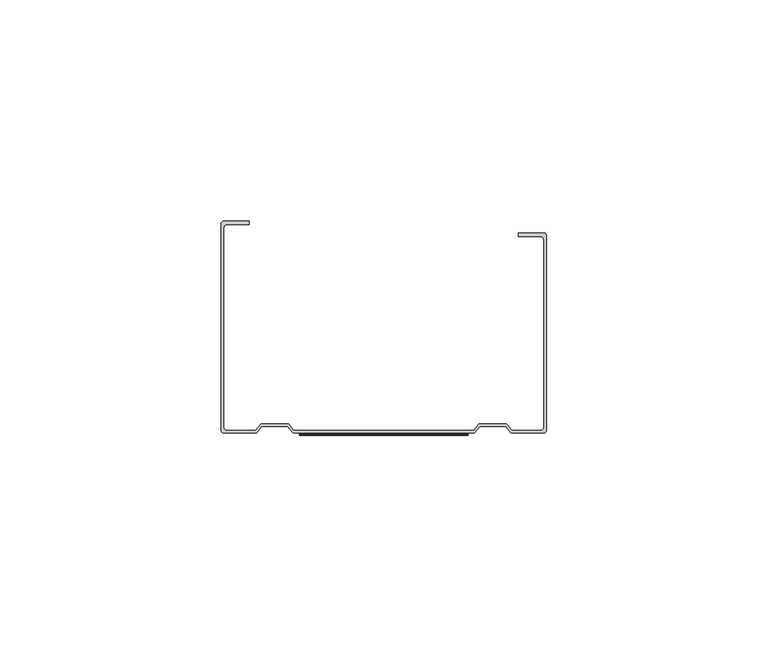
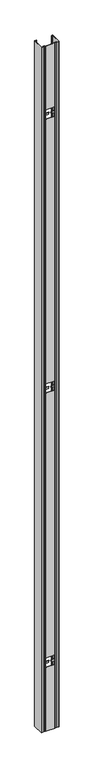
"""IFC4 building model written with IfcOpenShell, lengths in millimetres: proxy geometry."""

from ifc_helpers import new_model, si_unit, frame, origin, place, context, project, spatial, polyline, circle_curve, source, transform, mapped, element, save
from ifc_brep_helpers import plane_surface, cylinder_surface, revolved_surface, advanced_brep


def generic_models_7d81fbbe(model_context):
    return source(origin(), model_context, "Body", "AdvancedBrep", [
        advanced_brep(
        [(35.55, 44.4, 3000.0), (36.15, 43.8, 3000.0), (36.15, 1.2, 3000.0), (35.55, 0.6, 3000.0), (28.95, 0.6, 3000.0), (27.75, 2.1, 3000.0), (21.55, 2.1, 3000.0), (20.35, 0.6, 3000.0), (-20.35, 0.6, 3000.0), (-21.55, 2.1, 3000.0), (-27.75, 2.1, 3000.0), (-28.95, 0.6, 3000.0), (-35.55, 0.6, 3000.0), (-36.15, 1.2, 3000.0), (-36.15, 46.5, 3000.0), (-35.55, 47.1, 3000.0), (-30.45, 47.1, 3000.0), (-30.45, 47.9111732, 3000.0), (-36.15, 47.9111732, 3000.0), (-36.75, 47.3111732, 3000.0), (-36.75, 0.6, 3000.0), (-36.15, 0.0, 3000.0), (-28.7683346, 0.0, 3000.0), (-27.5683346, 1.5, 3000.0), (-21.7316654, 1.5, 3000.0), (-20.5316654, 0.0, 3000.0), (20.5316654, 0.0, 3000.0), (21.7316654, 1.5, 3000.0), (27.5683346, 1.5, 3000.0), (28.7683346, 0.0, 3000.0), (36.15, 0.0, 3000.0), (36.75, 0.6, 3000.0), (36.75, 44.6210939, 3000.0), (36.15, 45.2210939, 3000.0), (30.45, 45.2210939, 3000.0), (30.45, 44.4, 3000.0), (35.55, 44.4, 0.0), (30.45, 44.4, 0.0), (30.45, 45.2210939, 0.0), (36.15, 45.2210939, 0.0), (36.75, 44.6210939, 0.0), (36.75, 0.6, 0.0), (36.15, 0.0, 0.0), (28.7683346, 0.0, 0.0), (27.5683346, 1.5, 0.0), (21.7316654, 1.5, 0.0), (20.5316654, 0.0, 0.0), (-20.5316654, 0.0, 0.0), (-21.7316654, 1.5, 0.0), (-27.5683346, 1.5, 0.0), (-28.7683346, 0.0, 0.0), (-36.15, 0.0, 0.0), (-36.75, 0.6, 0.0), (-36.75, 47.3111732, 0.0), (-36.15, 47.9111732, 0.0), (-30.45, 47.9111732, 0.0), (-30.45, 47.1, 0.0), (-35.55, 47.1, 0.0), (-36.15, 46.5, 0.0), (-36.15, 1.2, 0.0), (-35.55, 0.6, 0.0), (-28.95, 0.6, 0.0), (-27.75, 2.1, 0.0), (-21.55, 2.1, 0.0), (-20.35, 0.6, 0.0), (20.35, 0.6, 0.0), (21.55, 2.1, 0.0), (27.75, 2.1, 0.0), (28.95, 0.6, 0.0), (35.55, 0.6, 0.0), (36.15, 1.2, 0.0), (36.15, 43.8, 0.0), (19.0, 0.6, 280.0), (19.0, 0.6, 295.0), (4.9004963, 0.6, 296.4099504), (4.0, 0.6, 297.4049876), (4.0, 0.6, 302.5950124), (4.9004963, 0.6, 303.5900496), (19.0, 0.6, 305.0), (19.0, 0.6, 320.0), (-19.0, 0.6, 320.0), (-19.0, 0.6, 305.7846387), (-5.9360534, 0.6, 304.4782441), (-5.0355571, 0.6, 303.4832069), (-5.0355571, 0.6, 297.3014319), (-5.9360534, 0.6, 296.3063947), (-19.0, 0.6, 295.0), (-19.0, 0.6, 280.0), (19.0, 0.6, 1480.0), (19.0, 0.6, 1495.0), (4.9004963, 0.6, 1496.4099504), (4.0, 0.6, 1497.4049876), (4.0, 0.6, 1502.5950124), (4.9004963, 0.6, 1503.5900496), (19.0, 0.6, 1505.0), (19.0, 0.6, 1520.0), (-19.0, 0.6, 1520.0), (-19.0, 0.6, 1505.7846387), (-5.9360534, 0.6, 1504.4782441), (-5.0355571, 0.6, 1503.4832069), (-5.0355571, 0.6, 1497.3014319), (-5.9360534, 0.6, 1496.3063947), (-19.0, 0.6, 1495.0), (-19.0, 0.6, 1480.0), (19.0, 0.6, 2680.0), (19.0, 0.6, 2695.0), (4.9004963, 0.6, 2696.4099504), (4.0, 0.6, 2697.4049876), (4.0, 0.6, 2702.5950124), (4.9004963, 0.6, 2703.5900496), (19.0, 0.6, 2705.0), (19.0, 0.6, 2720.0), (-19.0, 0.6, 2720.0), (-19.0, 0.6, 2705.7846387), (-5.9360534, 0.6, 2704.4782441), (-5.0355571, 0.6, 2703.4832069), (-5.0355571, 0.6, 2697.3014319), (-5.9360534, 0.6, 2696.3063947), (-19.0, 0.6, 2695.0), (-19.0, 0.6, 2680.0), (19.0, 0.0, 295.0), (19.0, 0.0, 280.0), (-19.0, 0.0, 280.0), (-19.0, 0.0, 295.0), (-5.9360534, 0.0, 296.3063947), (-5.0355571, 0.0, 297.3014319), (-5.0355571, 0.0, 303.4832069), (-5.9360534, 0.0, 304.4782441), (-19.0, 0.0, 305.7846387), (-19.0, 0.0, 320.0), (19.0, 0.0, 320.0), (19.0, 0.0, 305.0), (4.9004963, 0.0, 303.5900496), (4.0, 0.0, 302.5950124), (4.0, 0.0, 297.4049876), (4.9004963, 0.0, 296.4099504), (19.0, 0.0, 1495.0), (19.0, 0.0, 1480.0), (-19.0, 0.0, 1480.0), (-19.0, 0.0, 1495.0), (-5.9360534, 0.0, 1496.3063947), (-5.0355571, 0.0, 1497.3014319), (-5.0355571, 0.0, 1503.4832069), (-5.9360534, 0.0, 1504.4782441), (-19.0, 0.0, 1505.7846387), (-19.0, 0.0, 1520.0), (19.0, 0.0, 1520.0), (19.0, 0.0, 1505.0), (4.9004963, 0.0, 1503.5900496), (4.0, 0.0, 1502.5950124), (4.0, 0.0, 1497.4049876), (4.9004963, 0.0, 1496.4099504), (19.0, 0.0, 2695.0), (19.0, 0.0, 2680.0), (-19.0, 0.0, 2680.0), (-19.0, 0.0, 2695.0), (-5.9360534, 0.0, 2696.3063947), (-5.0355571, 0.0, 2697.3014319), (-5.0355571, 0.0, 2703.4832069), (-5.9360534, 0.0, 2704.4782441), (-19.0, 0.0, 2705.7846387), (-19.0, 0.0, 2720.0), (19.0, 0.0, 2720.0), (19.0, 0.0, 2705.0), (4.9004963, 0.0, 2703.5900496), (4.0, 0.0, 2702.5950124), (4.0, 0.0, 2697.4049876), (4.9004963, 0.0, 2696.4099504)],
        [
            (0, 1, circle_curve(frame((35.55, 43.8, 3000.0), z_axis=(0.0, 0.0, -1.0), x_axis=(1.0, 0.0, 0.0)), 0.6)),
            (1, 2),
            (2, 3, circle_curve(frame((35.55, 1.2, 3000.0), z_axis=(0.0, 0.0, -1.0), x_axis=(1.0, 0.0, 0.0)), 0.6)),
            (3, 4),
            (4, 5),
            (5, 6),
            (6, 7),
            (7, 8),
            (8, 9),
            (9, 10),
            (10, 11),
            (11, 12),
            (12, 13, circle_curve(frame((-35.55, 1.2, 3000.0), z_axis=(0.0, 0.0, -1.0), x_axis=(1.0, 0.0, 0.0)), 0.6)),
            (13, 14),
            (14, 15, circle_curve(frame((-35.55, 46.5, 3000.0), z_axis=(0.0, 0.0, -1.0), x_axis=(1.0, 0.0, 0.0)), 0.6)),
            (15, 16),
            (16, 17),
            (17, 18),
            (18, 19, circle_curve(frame((-36.15, 47.3111732, 3000.0), z_axis=(0.0, 0.0, 1.0), x_axis=(1.0, 0.0, 0.0)), 0.6)),
            (19, 20),
            (20, 21, circle_curve(frame((-36.15, 0.6, 3000.0), z_axis=(0.0, 0.0, 1.0), x_axis=(1.0, 0.0, 0.0)), 0.6)),
            (21, 22),
            (22, 23),
            (23, 24),
            (24, 25),
            (25, 26),
            (26, 27),
            (27, 28),
            (28, 29),
            (29, 30),
            (30, 31, circle_curve(frame((36.15, 0.6, 3000.0), z_axis=(0.0, 0.0, 1.0), x_axis=(1.0, 0.0, 0.0)), 0.6)),
            (31, 32),
            (32, 33, circle_curve(frame((36.15, 44.6210939, 3000.0), z_axis=(0.0, 0.0, 1.0), x_axis=(1.0, 0.0, 0.0)), 0.6)),
            (33, 34),
            (34, 35),
            (35, 0),
            (36, 37),
            (37, 38),
            (38, 39),
            (39, 40, circle_curve(frame((36.15, 44.6210939, 0.0), z_axis=(0.0, 0.0, -1.0), x_axis=(1.0, 0.0, 0.0)), 0.6)),
            (40, 41),
            (41, 42, circle_curve(frame((36.15, 0.6, 0.0), z_axis=(0.0, 0.0, -1.0), x_axis=(1.0, 0.0, 0.0)), 0.6)),
            (42, 43),
            (43, 44),
            (44, 45),
            (45, 46),
            (46, 47),
            (47, 48),
            (48, 49),
            (49, 50),
            (50, 51),
            (51, 52, circle_curve(frame((-36.15, 0.6, 0.0), z_axis=(0.0, 0.0, -1.0), x_axis=(1.0, 0.0, 0.0)), 0.6)),
            (52, 53),
            (53, 54, circle_curve(frame((-36.15, 47.3111732, 0.0), z_axis=(0.0, 0.0, -1.0), x_axis=(1.0, 0.0, 0.0)), 0.6)),
            (54, 55),
            (55, 56),
            (56, 57),
            (57, 58, circle_curve(frame((-35.55, 46.5, 0.0), z_axis=(0.0, 0.0, 1.0), x_axis=(1.0, 0.0, 0.0)), 0.6)),
            (58, 59),
            (59, 60, circle_curve(frame((-35.55, 1.2, 0.0), z_axis=(0.0, 0.0, 1.0), x_axis=(1.0, 0.0, 0.0)), 0.6)),
            (60, 61),
            (61, 62),
            (62, 63),
            (63, 64),
            (64, 65),
            (65, 66),
            (66, 67),
            (67, 68),
            (68, 69),
            (69, 70, circle_curve(frame((35.55, 1.2, 0.0), z_axis=(0.0, 0.0, 1.0), x_axis=(1.0, 0.0, 0.0)), 0.6)),
            (70, 71),
            (71, 36, circle_curve(frame((35.55, 43.8, 0.0), z_axis=(0.0, 0.0, 1.0), x_axis=(1.0, 0.0, 0.0)), 0.6)),
            (0, 36),
            (71, 1),
            (70, 2),
            (69, 3),
            (68, 4),
            (67, 5),
            (66, 6),
            (65, 7),
            (64, 8),
            (72, 73),
            (73, 74),
            (74, 75, circle_curve(frame((5.0, 0.6, 297.4049876), z_axis=(0.0, 1.0, 0.0), x_axis=(1.0, 0.0, 0.0)), 1.0)),
            (75, 76),
            (76, 77, circle_curve(frame((5.0, 0.6, 302.5950124), z_axis=(0.0, 1.0, 0.0), x_axis=(1.0, 0.0, 0.0)), 1.0)),
            (77, 78),
            (78, 79),
            (79, 80),
            (80, 81),
            (81, 82),
            (82, 83, circle_curve(frame((-6.0355571, 0.6, 303.4832069), z_axis=(0.0, 1.0, 0.0), x_axis=(1.0, 0.0, 0.0)), 1.0)),
            (83, 84),
            (84, 85, circle_curve(frame((-6.0355571, 0.6, 297.3014319), z_axis=(0.0, 1.0, 0.0), x_axis=(1.0, 0.0, 0.0)), 1.0)),
            (85, 86),
            (86, 87),
            (87, 72),
            (88, 89),
            (89, 90),
            (90, 91, circle_curve(frame((5.0, 0.6, 1497.4049876), z_axis=(0.0, 1.0, 0.0), x_axis=(1.0, 0.0, 0.0)), 1.0)),
            (91, 92),
            (92, 93, circle_curve(frame((5.0, 0.6, 1502.5950124), z_axis=(0.0, 1.0, 0.0), x_axis=(1.0, 0.0, 0.0)), 1.0)),
            (93, 94),
            (94, 95),
            (95, 96),
            (96, 97),
            (97, 98),
            (98, 99, circle_curve(frame((-6.0355571, 0.6, 1503.4832069), z_axis=(0.0, 1.0, 0.0), x_axis=(1.0, 0.0, 0.0)), 1.0)),
            (99, 100),
            (100, 101, circle_curve(frame((-6.0355571, 0.6, 1497.3014319), z_axis=(0.0, 1.0, 0.0), x_axis=(1.0, 0.0, 0.0)), 1.0)),
            (101, 102),
            (102, 103),
            (103, 88),
            (104, 105),
            (105, 106),
            (106, 107, circle_curve(frame((5.0, 0.6, 2697.4049876), z_axis=(0.0, 1.0, 0.0), x_axis=(1.0, 0.0, 0.0)), 1.0)),
            (107, 108),
            (108, 109, circle_curve(frame((5.0, 0.6, 2702.5950124), z_axis=(0.0, 1.0, 0.0), x_axis=(1.0, 0.0, 0.0)), 1.0)),
            (109, 110),
            (110, 111),
            (111, 112),
            (112, 113),
            (113, 114),
            (114, 115, circle_curve(frame((-6.0355571, 0.6, 2703.4832069), z_axis=(0.0, 1.0, 0.0), x_axis=(1.0, 0.0, 0.0)), 1.0)),
            (115, 116),
            (116, 117, circle_curve(frame((-6.0355571, 0.6, 2697.3014319), z_axis=(0.0, 1.0, 0.0), x_axis=(1.0, 0.0, 0.0)), 1.0)),
            (117, 118),
            (118, 119),
            (119, 104),
            (63, 9),
            (62, 10),
            (61, 11),
            (60, 12),
            (59, 13),
            (58, 14),
            (57, 15),
            (56, 16),
            (55, 17),
            (54, 18),
            (53, 19),
            (52, 20),
            (51, 21),
            (50, 22),
            (49, 23),
            (48, 24),
            (47, 25),
            (46, 26),
            (120, 121),
            (121, 122),
            (122, 123),
            (123, 124),
            (124, 125, circle_curve(frame((-6.0355571, 0.0, 297.3014319), z_axis=(0.0, -1.0, 0.0), x_axis=(1.0, 0.0, 0.0)), 1.0)),
            (125, 126),
            (126, 127, circle_curve(frame((-6.0355571, 0.0, 303.4832069), z_axis=(0.0, -1.0, 0.0), x_axis=(1.0, 0.0, 0.0)), 1.0)),
            (127, 128),
            (128, 129),
            (129, 130),
            (130, 131),
            (131, 132),
            (132, 133, circle_curve(frame((5.0, 0.0, 302.5950124), z_axis=(0.0, -1.0, 0.0), x_axis=(1.0, 0.0, 0.0)), 1.0)),
            (133, 134),
            (134, 135, circle_curve(frame((5.0, 0.0, 297.4049876), z_axis=(0.0, -1.0, 0.0), x_axis=(1.0, 0.0, 0.0)), 1.0)),
            (135, 120),
            (136, 137),
            (137, 138),
            (138, 139),
            (139, 140),
            (140, 141, circle_curve(frame((-6.0355571, 0.0, 1497.3014319), z_axis=(0.0, -1.0, 0.0), x_axis=(1.0, 0.0, 0.0)), 1.0)),
            (141, 142),
            (142, 143, circle_curve(frame((-6.0355571, 0.0, 1503.4832069), z_axis=(0.0, -1.0, 0.0), x_axis=(1.0, 0.0, 0.0)), 1.0)),
            (143, 144),
            (144, 145),
            (145, 146),
            (146, 147),
            (147, 148),
            (148, 149, circle_curve(frame((5.0, 0.0, 1502.5950124), z_axis=(0.0, -1.0, 0.0), x_axis=(1.0, 0.0, 0.0)), 1.0)),
            (149, 150),
            (150, 151, circle_curve(frame((5.0, 0.0, 1497.4049876), z_axis=(0.0, -1.0, 0.0), x_axis=(1.0, 0.0, 0.0)), 1.0)),
            (151, 136),
            (152, 153),
            (153, 154),
            (154, 155),
            (155, 156),
            (156, 157, circle_curve(frame((-6.0355571, 0.0, 2697.3014319), z_axis=(0.0, -1.0, 0.0), x_axis=(1.0, 0.0, 0.0)), 1.0)),
            (157, 158),
            (158, 159, circle_curve(frame((-6.0355571, 0.0, 2703.4832069), z_axis=(0.0, -1.0, 0.0), x_axis=(1.0, 0.0, 0.0)), 1.0)),
            (159, 160),
            (160, 161),
            (161, 162),
            (162, 163),
            (163, 164),
            (164, 165, circle_curve(frame((5.0, 0.0, 2702.5950124), z_axis=(0.0, -1.0, 0.0), x_axis=(1.0, 0.0, 0.0)), 1.0)),
            (165, 166),
            (166, 167, circle_curve(frame((5.0, 0.0, 2697.4049876), z_axis=(0.0, -1.0, 0.0), x_axis=(1.0, 0.0, 0.0)), 1.0)),
            (167, 152),
            (45, 27),
            (44, 28),
            (43, 29),
            (42, 30),
            (41, 31),
            (40, 32),
            (39, 33),
            (38, 34),
            (37, 35),
            (72, 121),
            (120, 73),
            (135, 74),
            (134, 75),
            (133, 76),
            (132, 77),
            (131, 78),
            (130, 79),
            (129, 80),
            (128, 81),
            (127, 82),
            (126, 83),
            (125, 84),
            (124, 85),
            (123, 86),
            (122, 87),
            (88, 137),
            (136, 89),
            (151, 90),
            (150, 91),
            (149, 92),
            (148, 93),
            (147, 94),
            (146, 95),
            (145, 96),
            (144, 97),
            (143, 98),
            (142, 99),
            (141, 100),
            (140, 101),
            (139, 102),
            (138, 103),
            (104, 153),
            (152, 105),
            (167, 106),
            (166, 107),
            (165, 108),
            (164, 109),
            (163, 110),
            (162, 111),
            (161, 112),
            (160, 113),
            (159, 114),
            (158, 115),
            (157, 116),
            (156, 117),
            (155, 118),
            (154, 119),
        ],
        [
            plane_surface(frame((36.15, 43.8, 3000.0), z_axis=(0.0, 0.0, 1.0), x_axis=(0.0, -1.0, 0.0))),
            plane_surface(frame((36.15, 43.8, 0.0), z_axis=(0.0, 0.0, -1.0), x_axis=(0.0, 1.0, 0.0))),
            revolved_surface(polyline([(36.15, 43.8, 0.0), (36.15, 43.8, 3000.0)]), (35.55, 43.8, 0.0), (0.0, 0.0, -1.0)),
            plane_surface(frame((36.15, 43.8, 3000.0), z_axis=(-1.0, 0.0, 0.0), x_axis=(0.0, 0.0, -1.0))),
            revolved_surface(polyline([(36.15, 1.2, 0.0), (36.15, 1.2, 3000.0)]), (35.55, 1.2, 0.0), (0.0, 0.0, -1.0)),
            plane_surface(frame((35.55, 0.6, 3000.0), z_axis=(1.3202570350113512e-12, 1.0, 0.0), x_axis=(0.0, 0.0, -1.0))),
            plane_surface(frame((28.95, 0.6, 3000.0), z_axis=(0.7808688094437694, 0.6246950475535005, 0.0), x_axis=(0.0, 0.0, -1.0))),
            plane_surface(frame((27.75, 2.1, 3000.0), z_axis=(0.0, 1.0, 0.0), x_axis=(0.0, 0.0, -1.0))),
            plane_surface(frame((21.55, 2.1, 3000.0), z_axis=(-0.7808688094437694, 0.6246950475535005, 0.0), x_axis=(0.0, 0.0, -1.0))),
            plane_surface(frame((20.35, 0.6, 3000.0), z_axis=(0.0, 1.0, 0.0), x_axis=(0.0, 0.0, -1.0))),
            plane_surface(frame((-20.35, 0.6, 3000.0), z_axis=(0.7808688094428455, 0.6246950475546552, 0.0), x_axis=(0.0, 0.0, -1.0))),
            plane_surface(frame((-21.55, 2.1, 3000.0), z_axis=(0.0, 1.0, 0.0), x_axis=(0.0, 0.0, -1.0))),
            plane_surface(frame((-27.75, 2.1, 3000.0), z_axis=(-0.7808688094419218, 0.62469504755581, 0.0), x_axis=(0.0, 0.0, -1.0))),
            plane_surface(frame((-28.95, 0.6, 3000.0), z_axis=(0.0, 1.0, 0.0), x_axis=(0.0, 0.0, -1.0))),
            revolved_surface(polyline([(-34.949999999999996, 1.2, 0.0), (-34.949999999999996, 1.2, 3000.0)]), (-35.55, 1.2, 0.0), (0.0, 0.0, -1.0)),
            plane_surface(frame((-36.15, 1.2, 3000.0), z_axis=(1.0, 0.0, 0.0), x_axis=(0.0, 0.0, -1.0))),
            revolved_surface(polyline([(-34.949999999999996, 46.5, 0.0), (-34.949999999999996, 46.5, 3000.0)]), (-35.55, 46.5, 0.0), (0.0, 0.0, -1.0)),
            plane_surface(frame((-35.55, 47.1, 3000.0), z_axis=(0.0, -1.0, 0.0), x_axis=(0.0, 0.0, -1.0))),
            plane_surface(frame((-30.45, 47.1, 3000.0), z_axis=(1.0, 0.0, 0.0), x_axis=(0.0, 0.0, -1.0))),
            plane_surface(frame((-30.45, 47.9111732, 3000.0), z_axis=(0.0, 1.0, 0.0), x_axis=(0.0, 0.0, -1.0))),
            cylinder_surface(frame((-36.15, 47.3111732, 0.0), z_axis=(0.0, 0.0, 1.0), x_axis=(1.0, 0.0, 0.0)), 0.6),
            plane_surface(frame((-36.75, 47.3111732, 3000.0), z_axis=(-1.0, 0.0, 0.0), x_axis=(0.0, 0.0, -1.0))),
            cylinder_surface(frame((-36.15, 0.6, 0.0), z_axis=(0.0, 0.0, 1.0), x_axis=(1.0, 0.0, 0.0)), 0.6),
            plane_surface(frame((-36.15, 0.0, 3000.0), z_axis=(0.0, -1.0, 0.0), x_axis=(0.0, 0.0, -1.0))),
            plane_surface(frame((-28.7683346, 0.0, 3000.0), z_axis=(0.7808688094419218, -0.62469504755581, 0.0), x_axis=(0.0, 0.0, -1.0))),
            plane_surface(frame((-27.5683346, 1.5, 3000.0), z_axis=(0.0, -1.0, 0.0), x_axis=(0.0, 0.0, -1.0))),
            plane_surface(frame((-21.7316654, 1.5, 3000.0), z_axis=(-0.780868809440998, -0.6246950475569647, 0.0), x_axis=(0.0, 0.0, -1.0))),
            plane_surface(frame((-20.5316654, 0.0, 3000.0), z_axis=(0.0, -1.0, 0.0), x_axis=(0.0, 0.0, -1.0))),
            plane_surface(frame((20.5316654, 0.0, 3000.0), z_axis=(0.7808688094437694, -0.6246950475535006, 0.0), x_axis=(0.0, 0.0, -1.0))),
            plane_surface(frame((21.7316654, 1.5, 3000.0), z_axis=(0.0, -1.0, 0.0), x_axis=(0.0, 0.0, -1.0))),
            plane_surface(frame((27.5683346, 1.5, 3000.0), z_axis=(-0.7808688094437694, -0.6246950475535006, 0.0), x_axis=(0.0, 0.0, -1.0))),
            plane_surface(frame((28.7683346, 0.0, 3000.0), z_axis=(0.0, -1.0, 0.0), x_axis=(0.0, 0.0, -1.0))),
            cylinder_surface(frame((36.15, 0.6, 0.0), z_axis=(0.0, 0.0, 1.0), x_axis=(1.0, 0.0, 0.0)), 0.6),
            plane_surface(frame((36.75, 0.6, 3000.0), z_axis=(1.0, 0.0, 0.0), x_axis=(0.0, 0.0, -1.0))),
            cylinder_surface(frame((36.15, 44.6210939, 0.0), z_axis=(0.0, 0.0, 1.0), x_axis=(1.0, 0.0, 0.0)), 0.6),
            plane_surface(frame((36.15, 45.2210939, 3000.0), z_axis=(0.0, 1.0, 0.0), x_axis=(0.0, 0.0, -1.0))),
            plane_surface(frame((30.45, 45.2210939, 3000.0), z_axis=(-1.0, 0.0, 0.0), x_axis=(0.0, 0.0, -1.0))),
            plane_surface(frame((30.45, 44.4, 3000.0), z_axis=(0.0, -1.0, 0.0), x_axis=(0.0, 0.0, -1.0))),
            plane_surface(frame((19.0, -145.3710612, 280.0), z_axis=(-1.0, 0.0, 0.0), x_axis=(0.0, 1.0, 0.0))),
            plane_surface(frame((19.0, -145.3710612, 295.0), z_axis=(-0.09950371902100404, 0.0, -0.9950371902099887), x_axis=(0.0, 1.0, 0.0))),
            cylinder_surface(frame((5.0, 171.5772694, 297.4049876), z_axis=(0.0, 1.0, 0.0), x_axis=(1.0, 0.0, 0.0)), 1.0),
            plane_surface(frame((4.0, -145.3710612, 297.4049876), z_axis=(-1.0, 0.0, 0.0), x_axis=(0.0, 1.0, 0.0))),
            cylinder_surface(frame((5.0, 171.5772694, 302.5950124), z_axis=(0.0, 1.0, 0.0), x_axis=(1.0, 0.0, 0.0)), 1.0),
            plane_surface(frame((4.9004963, -145.3710612, 303.5900496), z_axis=(-0.09950371902100714, 0.0, 0.9950371902099884), x_axis=(0.0, 1.0, 0.0))),
            plane_surface(frame((19.0, -145.3710612, 305.0), z_axis=(-1.0, 0.0, 0.0), x_axis=(0.0, 1.0, 0.0))),
            plane_surface(frame((19.0, -145.3710612, 320.0), z_axis=(0.0, 0.0, -1.0), x_axis=(0.0, 1.0, 0.0))),
            plane_surface(frame((-19.0, -145.3710612, 320.0), z_axis=(1.0, 0.0, 0.0), x_axis=(0.0, 1.0, 0.0))),
            plane_surface(frame((-19.0, -145.3710612, 305.7846387), z_axis=(0.09950371902100459, 0.0, 0.9950371902099886), x_axis=(0.0, 1.0, 0.0))),
            cylinder_surface(frame((-6.0355571, 171.5772694, 303.4832069), z_axis=(0.0, 1.0, 0.0), x_axis=(1.0, 0.0, 0.0)), 1.0),
            plane_surface(frame((-5.0355571, -145.3710612, 303.4832069), z_axis=(1.0, 0.0, 0.0), x_axis=(0.0, 1.0, 0.0))),
            cylinder_surface(frame((-6.0355571, 171.5772694, 297.3014319), z_axis=(0.0, 1.0, 0.0), x_axis=(1.0, 0.0, 0.0)), 1.0),
            plane_surface(frame((-5.9360534, -145.3710612, 296.3063947), z_axis=(0.09950371902100354, 0.0, -0.9950371902099887), x_axis=(0.0, 1.0, 0.0))),
            plane_surface(frame((-19.0, -145.3710612, 295.0), z_axis=(1.0, 0.0, 0.0), x_axis=(0.0, 1.0, 0.0))),
            plane_surface(frame((-19.0, -145.3710612, 280.0), z_axis=(0.0, 0.0, 1.0), x_axis=(0.0, 1.0, 0.0))),
            plane_surface(frame((19.0, -145.3710612, 1480.0), z_axis=(-1.0, 0.0, 0.0), x_axis=(0.0, 1.0, 0.0))),
            plane_surface(frame((19.0, -145.3710612, 1495.0), z_axis=(-0.09950371902101107, 0.0, -0.9950371902099879), x_axis=(0.0, 1.0, 0.0))),
            cylinder_surface(frame((5.0, 171.5772694, 1497.4049876), z_axis=(0.0, 1.0, 0.0), x_axis=(1.0, 0.0, 0.0)), 1.0),
            plane_surface(frame((4.0, -145.3710612, 1497.4049876), z_axis=(-1.0, 0.0, 0.0), x_axis=(0.0, 1.0, 0.0))),
            cylinder_surface(frame((5.0, 171.5772694, 1502.5950124), z_axis=(0.0, 1.0, 0.0), x_axis=(1.0, 0.0, 0.0)), 1.0),
            plane_surface(frame((4.9004963, -145.3710612, 1503.5900496), z_axis=(-0.09950371902100968, 0.0, 0.9950371902099882), x_axis=(0.0, 1.0, 0.0))),
            plane_surface(frame((19.0, -145.3710612, 1505.0), z_axis=(-1.0, 0.0, 0.0), x_axis=(0.0, 1.0, 0.0))),
            plane_surface(frame((19.0, -145.3710612, 1520.0), z_axis=(0.0, 0.0, -1.0), x_axis=(0.0, 1.0, 0.0))),
            plane_surface(frame((-19.0, -145.3710612, 1520.0), z_axis=(1.0, 0.0, 0.0), x_axis=(0.0, 1.0, 0.0))),
            plane_surface(frame((-19.0, -145.3710612, 1505.7846387), z_axis=(0.09950371902099188, 0.0, 0.9950371902099899), x_axis=(0.0, 1.0, 0.0))),
            cylinder_surface(frame((-6.0355571, 171.5772694, 1503.4832069), z_axis=(0.0, 1.0, 0.0), x_axis=(1.0, 0.0, 0.0)), 1.0),
            plane_surface(frame((-5.0355571, -145.3710612, 1503.4832069), z_axis=(1.0, 0.0, 0.0), x_axis=(0.0, 1.0, 0.0))),
            cylinder_surface(frame((-6.0355571, 171.5772694, 1497.3014319), z_axis=(0.0, 1.0, 0.0), x_axis=(1.0, 0.0, 0.0)), 1.0),
            plane_surface(frame((-5.9360534, -145.3710612, 1496.3063947), z_axis=(0.09950371902099599, 0.0, -0.9950371902099895), x_axis=(0.0, 1.0, 0.0))),
            plane_surface(frame((-19.0, -145.3710612, 1495.0), z_axis=(1.0, 0.0, 0.0), x_axis=(0.0, 1.0, 0.0))),
            plane_surface(frame((-19.0, -145.3710612, 1480.0), z_axis=(0.0, 0.0, 1.0), x_axis=(0.0, 1.0, 0.0))),
            plane_surface(frame((19.0, -145.3710612, 2680.0), z_axis=(-1.0, 0.0, 0.0), x_axis=(0.0, 1.0, 0.0))),
            plane_surface(frame((19.0, -145.3710612, 2695.0), z_axis=(-0.09950371902099236, 0.0, -0.9950371902099898), x_axis=(0.0, 1.0, 0.0))),
            cylinder_surface(frame((5.0, 171.5772694, 2697.4049876), z_axis=(0.0, 1.0, 0.0), x_axis=(1.0, 0.0, 0.0)), 1.0),
            plane_surface(frame((4.0, -145.3710612, 2697.4049876), z_axis=(-1.0, 0.0, 0.0), x_axis=(0.0, 1.0, 0.0))),
            cylinder_surface(frame((5.0, 171.5772694, 2702.5950124), z_axis=(0.0, 1.0, 0.0), x_axis=(1.0, 0.0, 0.0)), 1.0),
            plane_surface(frame((4.9004963, -145.3710612, 2703.5900496), z_axis=(-0.09950371902099077, 0.0, 0.99503719020999), x_axis=(0.0, 1.0, 0.0))),
            plane_surface(frame((19.0, -145.3710612, 2705.0), z_axis=(-1.0, 0.0, 0.0), x_axis=(0.0, 1.0, 0.0))),
            plane_surface(frame((19.0, -145.3710612, 2720.0), z_axis=(0.0, 0.0, -1.0), x_axis=(0.0, 1.0, 0.0))),
            plane_surface(frame((-19.0, -145.3710612, 2720.0), z_axis=(1.0, 0.0, 0.0), x_axis=(0.0, 1.0, 0.0))),
            plane_surface(frame((-19.0, -145.3710612, 2705.7846387), z_axis=(0.0995037190210125, 0.0, 0.9950371902099879), x_axis=(0.0, 1.0, 0.0))),
            cylinder_surface(frame((-6.0355571, 171.5772694, 2703.4832069), z_axis=(0.0, 1.0, 0.0), x_axis=(1.0, 0.0, 0.0)), 1.0),
            plane_surface(frame((-5.0355571, -145.3710612, 2703.4832069), z_axis=(1.0, 0.0, 0.0), x_axis=(0.0, 1.0, 0.0))),
            cylinder_surface(frame((-6.0355571, 171.5772694, 2697.3014319), z_axis=(0.0, 1.0, 0.0), x_axis=(1.0, 0.0, 0.0)), 1.0),
            plane_surface(frame((-5.9360534, -145.3710612, 2696.3063947), z_axis=(0.09950371902097557, 0.0, -0.9950371902099915), x_axis=(0.0, 1.0, 0.0))),
            plane_surface(frame((-19.0, -145.3710612, 2695.0), z_axis=(1.0, 0.0, 0.0), x_axis=(0.0, 1.0, 0.0))),
            plane_surface(frame((-19.0, -145.3710612, 2680.0), z_axis=(0.0, 0.0, 1.0), x_axis=(0.0, 1.0, 0.0))),
        ],
        [
            (0, [[1, 2, 3, 4, 5, 6, 7, 8, 9, 10, 11, 12, 13, 14, 15, 16, 17, 18, 19, 20, 21, 22, 23, 24, 25, 26, 27, 28, 29, 30, 31, 32, 33, 34, 35, 36]]),
            (1, [[37, 38, 39, 40, 41, 42, 43, 44, 45, 46, 47, 48, 49, 50, 51, 52, 53, 54, 55, 56, 57, 58, 59, 60, 61, 62, 63, 64, 65, 66, 67, 68, 69, 70, 71, 72]]),
            (2, [[-1, 73, -72, 74]]),
            (3, [[-2, -74, -71, 75]]),
            (4, [[-3, -75, -70, 76]]),
            (5, [[-4, -76, -69, 77]]),
            (6, [[-5, -77, -68, 78]]),
            (7, [[-6, -78, -67, 79]]),
            (8, [[-7, -79, -66, 80]]),
            (9, [[-8, -80, -65, 81], [82, 83, 84, 85, 86, 87, 88, 89, 90, 91, 92, 93, 94, 95, 96, 97], [98, 99, 100, 101, 102, 103, 104, 105, 106, 107, 108, 109, 110, 111, 112, 113], [114, 115, 116, 117, 118, 119, 120, 121, 122, 123, 124, 125, 126, 127, 128, 129]]),
            (10, [[-9, -81, -64, 130]]),
            (11, [[-10, -130, -63, 131]]),
            (12, [[-11, -131, -62, 132]]),
            (13, [[-12, -132, -61, 133]]),
            (14, [[-13, -133, -60, 134]]),
            (15, [[-14, -134, -59, 135]]),
            (16, [[-15, -135, -58, 136]]),
            (17, [[-16, -136, -57, 137]]),
            (18, [[-17, -137, -56, 138]]),
            (19, [[-18, -138, -55, 139]]),
            (20, [[-19, -139, -54, 140]]),
            (21, [[-20, -140, -53, 141]]),
            (22, [[-21, -141, -52, 142]]),
            (23, [[-22, -142, -51, 143]]),
            (24, [[-23, -143, -50, 144]]),
            (25, [[-24, -144, -49, 145]]),
            (26, [[-25, -145, -48, 146]]),
            (27, [[-26, -146, -47, 147], [148, 149, 150, 151, 152, 153, 154, 155, 156, 157, 158, 159, 160, 161, 162, 163], [164, 165, 166, 167, 168, 169, 170, 171, 172, 173, 174, 175, 176, 177, 178, 179], [180, 181, 182, 183, 184, 185, 186, 187, 188, 189, 190, 191, 192, 193, 194, 195]]),
            (28, [[-27, -147, -46, 196]]),
            (29, [[-28, -196, -45, 197]]),
            (30, [[-29, -197, -44, 198]]),
            (31, [[-30, -198, -43, 199]]),
            (32, [[-31, -199, -42, 200]]),
            (33, [[-32, -200, -41, 201]]),
            (34, [[-33, -201, -40, 202]]),
            (35, [[-34, -202, -39, 203]]),
            (36, [[-35, -203, -38, 204]]),
            (37, [[-36, -204, -37, -73]]),
            (38, [[205, -148, 206, -82]]),
            (39, [[-206, -163, 207, -83]]),
            (40, [[-207, -162, 208, -84]]),
            (41, [[-208, -161, 209, -85]]),
            (42, [[-209, -160, 210, -86]]),
            (43, [[-210, -159, 211, -87]]),
            (44, [[-211, -158, 212, -88]]),
            (45, [[-212, -157, 213, -89]]),
            (46, [[-213, -156, 214, -90]]),
            (47, [[-214, -155, 215, -91]]),
            (48, [[-215, -154, 216, -92]]),
            (49, [[-216, -153, 217, -93]]),
            (50, [[-217, -152, 218, -94]]),
            (51, [[-218, -151, 219, -95]]),
            (52, [[-219, -150, 220, -96]]),
            (53, [[-205, -97, -220, -149]]),
            (54, [[221, -164, 222, -98]]),
            (55, [[-222, -179, 223, -99]]),
            (56, [[-223, -178, 224, -100]]),
            (57, [[-224, -177, 225, -101]]),
            (58, [[-225, -176, 226, -102]]),
            (59, [[-226, -175, 227, -103]]),
            (60, [[-227, -174, 228, -104]]),
            (61, [[-228, -173, 229, -105]]),
            (62, [[-229, -172, 230, -106]]),
            (63, [[-230, -171, 231, -107]]),
            (64, [[-231, -170, 232, -108]]),
            (65, [[-232, -169, 233, -109]]),
            (66, [[-233, -168, 234, -110]]),
            (67, [[-234, -167, 235, -111]]),
            (68, [[-235, -166, 236, -112]]),
            (69, [[-221, -113, -236, -165]]),
            (70, [[237, -180, 238, -114]]),
            (71, [[-238, -195, 239, -115]]),
            (72, [[-239, -194, 240, -116]]),
            (73, [[-240, -193, 241, -117]]),
            (74, [[-241, -192, 242, -118]]),
            (75, [[-242, -191, 243, -119]]),
            (76, [[-243, -190, 244, -120]]),
            (77, [[-244, -189, 245, -121]]),
            (78, [[-245, -188, 246, -122]]),
            (79, [[-246, -187, 247, -123]]),
            (80, [[-247, -186, 248, -124]]),
            (81, [[-248, -185, 249, -125]]),
            (82, [[-249, -184, 250, -126]]),
            (83, [[-250, -183, 251, -127]]),
            (84, [[-251, -182, 252, -128]]),
            (85, [[-237, -129, -252, -181]]),
        ],
    ),
    ])


if __name__ == "__main__":
    model = new_model("IFC4")
    model_context = context("Model", 3, world=origin())
    ifc_project = project(units=[si_unit("LENGTHUNIT", "METRE", prefix="MILLI")], contexts=[model_context])
    site = spatial("IfcSite", under=ifc_project)
    building = spatial("IfcBuilding", under=site)
    placement = place(None, origin())
    generic_models_shape = generic_models_7d81fbbe(model_context)
    element("IfcBuildingElementProxy", 1, Name="Generic Models", at=placement, inside=building, context=model_context, shape_type="MappedRepresentation", body=[
        mapped(generic_models_shape, transform((0.0, 0.0, 0.0), x_axis=(1.0, 0.0, 0.0), y_axis=(0.0, 1.0, 0.0), z_axis=(0.0, 0.0, 1.0))),
    ])
    save(model, "model.ifc")
